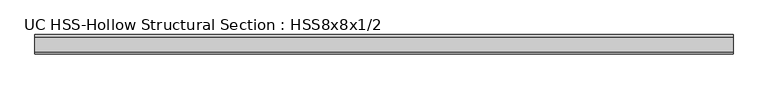
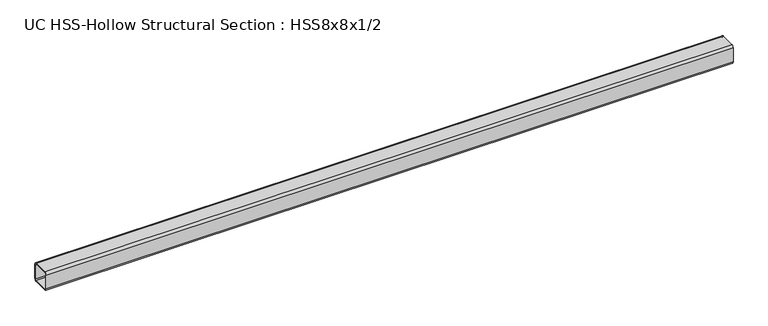
"""IFC4 building model written with IfcOpenShell, lengths in millimetres: beam geometry, UC HSS-Hollow Structural Section : HSS8x8x1/2."""

from ifc_helpers import new_model, si_unit, point, frame, frame_2d, origin, place, context, project, spatial, polyline, circle_curve, trimmed, segment, composite_curve, outline, extrude, source, transform, mapped, element, save


def uc_hss_hollow_structural_section_hss8x8x1_2_7bdbb53e(model_context):
    return source(origin(), model_context, "Body", "SweptSolid", [
        extrude(outline(composite_curve([segment(polyline([(101.6, 77.978), (101.6, -77.978)]), True, "CONTINUOUS"), segment(trimmed(circle_curve(frame_2d((77.978, -77.978)), 23.622), [point((101.6, -77.978))], [point((77.978, -101.6))], False, "CARTESIAN"), True, "CONTINUOUS"), segment(polyline([(77.978, -101.6), (-77.978, -101.6)]), True, "CONTINUOUS"), segment(trimmed(circle_curve(frame_2d((-77.978, -77.978)), 23.622), [point((-77.978, -101.6))], [point((-101.6, -77.978))], False, "CARTESIAN"), True, "CONTINUOUS"), segment(polyline([(-101.6, -77.978), (-101.6, 77.978)]), True, "CONTINUOUS"), segment(trimmed(circle_curve(frame_2d((-77.978, 77.978)), 23.622), [point((-101.6, 77.978))], [point((-77.978, 101.6))], False, "CARTESIAN"), True, "CONTINUOUS"), segment(polyline([(-77.978, 101.6), (77.978, 101.6)]), True, "CONTINUOUS"), segment(trimmed(circle_curve(frame_2d((77.978, 77.978)), 23.622), [point((77.978, 101.6))], [point((101.6, 77.978))], False, "CARTESIAN"), True, "CONTINUOUS")], self_intersect=False), holes=[composite_curve([segment(trimmed(circle_curve(frame_2d((-77.978, 77.978)), 11.811), [point((-77.978, 89.789))], [point((-89.789, 77.978))], True, "CARTESIAN"), True, "CONTINUOUS"), segment(polyline([(-89.789, 77.978), (-89.789, -77.978)]), True, "CONTINUOUS"), segment(trimmed(circle_curve(frame_2d((-77.978, -77.978)), 11.811), [point((-89.789, -77.978))], [point((-77.978, -89.789))], True, "CARTESIAN"), True, "CONTINUOUS"), segment(polyline([(-77.978, -89.789), (77.978, -89.789)]), True, "CONTINUOUS"), segment(trimmed(circle_curve(frame_2d((77.978, -77.978)), 11.811), [point((77.978, -89.789))], [point((89.789, -77.978))], True, "CARTESIAN"), True, "CONTINUOUS"), segment(polyline([(89.789, -77.978), (89.789, 77.978)]), True, "CONTINUOUS"), segment(trimmed(circle_curve(frame_2d((77.978, 77.978)), 11.811), [point((89.789, 77.978))], [point((77.978, 89.789))], True, "CARTESIAN"), True, "CONTINUOUS"), segment(polyline([(77.978, 89.789), (-77.978, 89.789)]), True, "CONTINUOUS")], self_intersect=False)]), frame((-3608.2805453, 0.0, 0.0), z_axis=(1.0, 0.0, 0.0), x_axis=(0.0, 1.0, 0.0)), (0.0, 0.0, 1.0), 7309.3090566),
    ])


if __name__ == "__main__":
    model = new_model("IFC4")
    model_context = context("Model", 3, world=origin())
    ifc_project = project(units=[si_unit("LENGTHUNIT", "METRE", prefix="MILLI")], contexts=[model_context])
    site = spatial("IfcSite", under=ifc_project)
    building = spatial("IfcBuilding", under=site)
    placement = place(None, origin())
    uc_hss_hollow_structural_section_hss8x8x1_2_shape = uc_hss_hollow_structural_section_hss8x8x1_2_7bdbb53e(model_context)
    element("IfcBeam", 1, ObjectType="UC HSS-Hollow Structural Section : HSS8x8x1/2", at=placement, inside=building, context=model_context, shape_type="MappedRepresentation", body=[
        mapped(uc_hss_hollow_structural_section_hss8x8x1_2_shape, transform((0.0, 0.0, 0.0), x_axis=(1.0, 0.0, 0.0), y_axis=(0.0, 1.0, 0.0), z_axis=(0.0, 0.0, 1.0))),
    ])
    save(model, "model.ifc")
